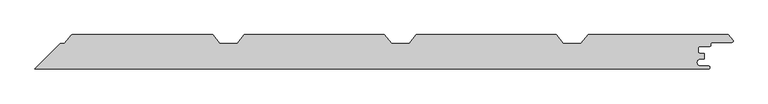
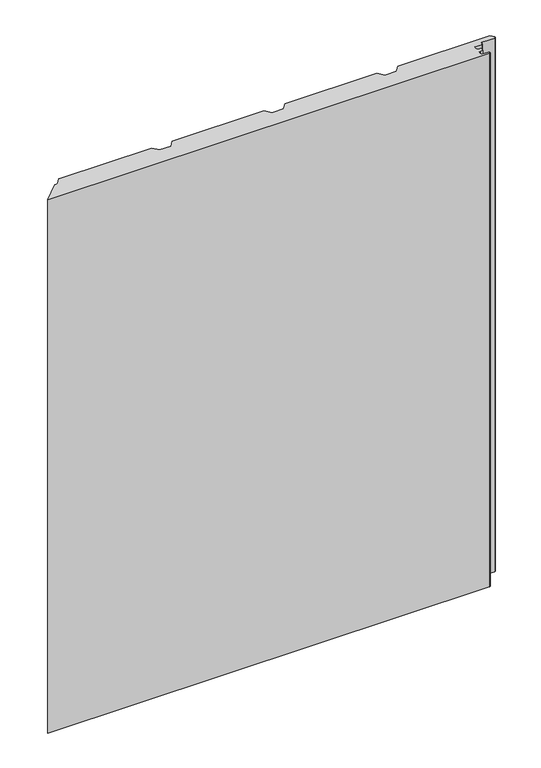
"""IFC4 building model written with IfcOpenShell, lengths in millimetres: proxy geometry."""

from ifc_helpers import new_model, si_unit, point, frame_2d, origin, origin_with_axes, place, context, project, spatial, polyline, circle_curve, trimmed, segment, composite_curve, outline, extrude, source, transform, mapped, element, save


def generic_models_69b331c7(model_context):
    return source(origin(), model_context, "Body", "SweptSolid", [
        extrude(outline(composite_curve([segment(trimmed(circle_curve(frame_2d((497.8, -22.8)), 2.2), [point((497.8, -20.6))], [point((500.0, -22.8))], False, "CARTESIAN"), True, "CONTINUOUS"), segment(trimmed(circle_curve(frame_2d((497.8, -22.8)), 2.2), [point((500.0, -22.8))], [point((497.8, -25.0))], False, "CARTESIAN"), True, "CONTINUOUS"), segment(polyline([(497.8, -25.0), (-481.8, -25.0), (-444.7998944, 12.0001056), (-440.0250086, 12.0001056)]), True, "CONTINUOUS"), segment(trimmed(circle_curve(frame_2d((-440.0250086, 14.4001056)), 2.4), [point((-440.0250086, 12.0001056))], [point((-438.1509234, 12.9008374))], True, "CARTESIAN"), True, "CONTINUOUS"), segment(polyline([(-438.1509234, 12.9008374), (-429.1021057, 24.2118596)]), True, "CONTINUOUS"), segment(trimmed(circle_curve(frame_2d((-427.4622812, 22.9)), 2.1), [point((-429.1021057, 24.2118596))], [point((-427.4622812, 25.0))], False, "CARTESIAN"), True, "CONTINUOUS"), segment(polyline([(-427.4622812, 25.0), (-223.3843192, 25.0), (-212.9844163, 12.0), (-187.3999029, 12.0), (-177.0, 25.0), (26.6156808, 25.0), (37.0155837, 12.0), (62.6000971, 12.0), (73.0, 25.0), (276.6156808, 25.0), (287.0155837, 12.0), (312.6000971, 12.0), (323.0, 25.0), (527.1673425, 25.0), (533.3977704, 17.2119652)]), True, "CONTINUOUS"), segment(trimmed(circle_curve(frame_2d((531.7579459, 15.9001056)), 2.1), [point((533.3977704, 17.2119652))], [point((531.7579459, 13.8001056))], False, "CARTESIAN"), True, "CONTINUOUS"), segment(polyline([(531.7579459, 13.8001056), (503.3603917, 13.8001056)]), True, "CONTINUOUS"), segment(trimmed(circle_curve(frame_2d((503.3603917, 11.8001056)), 2.0), [point((503.3603917, 13.8001056))], [point((501.3603917, 11.8001056))], True, "CARTESIAN"), True, "CONTINUOUS"), segment(polyline([(501.3603917, 11.8001056), (501.3603917, 9.8331556)]), True, "CONTINUOUS"), segment(trimmed(circle_curve(frame_2d((499.3603917, 9.8331556)), 2.0), [point((501.3603917, 9.8331556))], [point((499.3603917, 7.8331556))], False, "CARTESIAN"), True, "CONTINUOUS"), segment(polyline([(499.3603917, 7.8331556), (485.634822, 7.8331556)]), True, "CONTINUOUS"), segment(trimmed(circle_curve(frame_2d((485.634822, 5.0831556)), 2.7499999), [point((485.634822, 7.8331556))], [point((482.8848221, 5.0831556))], True, "CARTESIAN"), True, "CONTINUOUS"), segment(polyline([(482.8848221, 5.0831556), (482.8848221, 0.5831555)]), True, "CONTINUOUS"), segment(trimmed(circle_curve(frame_2d((485.634822, 0.5831555)), 2.7499999), [point((482.8848221, 0.5831555))], [point((485.634822, -2.1668444))], True, "CARTESIAN"), True, "CONTINUOUS"), segment(polyline([(485.634822, -2.1668444), (491.826199, -2.1668444), (491.826199, -10.5637731), (486.1740239, -10.5637731)]), True, "CONTINUOUS"), segment(trimmed(circle_curve(frame_2d((486.1740239, -15.5818865)), 5.0181135), [point((486.1740239, -10.5637731))], [point((486.1740239, -20.6))], True, "CARTESIAN"), True, "CONTINUOUS"), segment(polyline([(486.1740239, -20.6), (497.8, -20.6)]), True, "CONTINUOUS")], self_intersect=False)), origin_with_axes(), (0.0, 0.0, 1.0), 1250.0),
    ])


if __name__ == "__main__":
    model = new_model("IFC4")
    model_context = context("Model", 3, world=origin())
    ifc_project = project(units=[si_unit("LENGTHUNIT", "METRE", prefix="MILLI")], contexts=[model_context])
    site = spatial("IfcSite", under=ifc_project)
    building = spatial("IfcBuilding", under=site)
    placement = place(None, origin())
    generic_models_shape = generic_models_69b331c7(model_context)
    element("IfcBuildingElementProxy", 1, Name="Generic Models", at=placement, inside=building, context=model_context, shape_type="MappedRepresentation", body=[
        mapped(generic_models_shape, transform((0.0, 0.0, 0.0), x_axis=(1.0, 0.0, 0.0), y_axis=(0.0, 1.0, 0.0), z_axis=(0.0, 0.0, 1.0))),
    ])
    save(model, "model.ifc")
